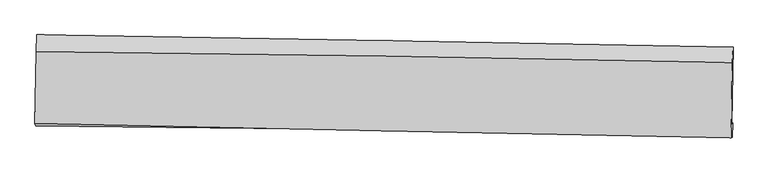
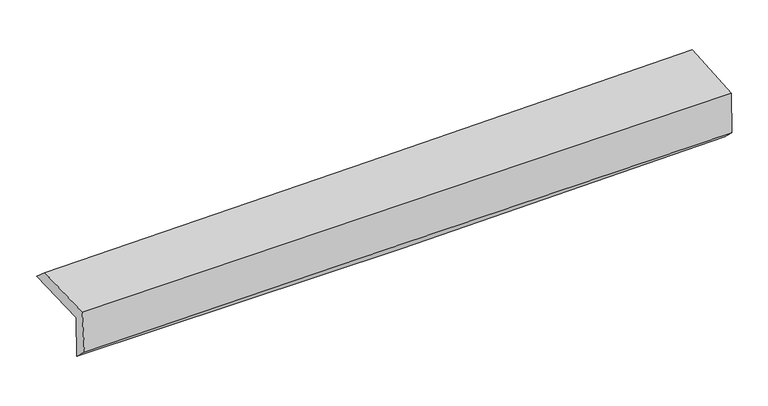
"""IFC4 building model written with IfcOpenShell, lengths in millimetres: proxy geometry."""

from ifc_helpers import new_model, si_unit, frame, origin, place, context, project, spatial, source, transform, mapped, element, save
from ifc_brep_helpers import plane_surface, spline_curve, spline_surface, advanced_brep


def generic_models_a726929d(model_context):
    return source(origin(), model_context, "Body", "AdvancedBrep", [
        advanced_brep(
        [(-3030.6403116, -1757.244545, 1964.4442662), (-3018.3939804, -1092.9162327, 1972.1412582), (3019.1650498, -1201.1432065, 2105.6146012), (3006.9730574, -1866.5228366, 2094.6922311), (-3021.6380855, -1751.0513225, 1577.1108289), (3015.9006747, -1860.3809424, 1710.5689391), (-3026.8978098, -1885.3490262, 1696.9040716), (3010.8212327, -1984.9868248, 1830.4037842), (-3035.3733319, -1863.4058783, 2084.2133271), (3001.6381054, -1989.4132768, 2227.0622444), (-3023.9170199, -1237.0525696, 2095.3923986), (3013.1831432, -1332.7865569, 2259.0492146)],
        [
            (0, 1),
            (1, 2, spline_curve(3, [(-3018.3939804, -1092.9162327, 1972.1412582), (-2011.924923349, -1108.54326529, 1987.135066794), (-1005.559358525, -1125.375718975, 2005.754782581), (1006.960317293, -1161.451387504, 2050.245929408), (2013.114429123, -1180.694591838, 2076.117327876), (3019.1650498, -1201.1432065, 2105.6146012)], [4, 2, 4], [0.0, 9.908233847613204, 19.816423684661427])),
            (2, 3),
            (3, 0, spline_curve(3, [(3006.9730574, -1866.5228366, 2094.6922311), (2000.765093678, -1852.610109493, 2066.725829582), (994.527781939, -1836.547246644, 2041.888648892), (-1018.010007411, -1800.121168257, 1998.472632885), (-2024.310485381, -1779.757934206, 1979.893825148), (-3030.6403116, -1757.244545, 1964.4442662)], [4, 2, 4], [0.0, 9.908189837048223, 19.816423684661427])),
            (4, 0),
            (3, 5),
            (5, 4, spline_curve(3, [(3015.9006747, -1860.3809424, 1710.5689391), (2009.884897207, -1846.335997999, 1674.333465416), (1003.749895807, -1830.202748737, 1645.094228773), (-1008.763023025, -1793.759560726, 1600.608129627), (-2015.140942111, -1773.449603157, 1585.361329787), (-3021.6380855, -1751.0513225, 1577.1108289)], [4, 2, 4], [0.0, 9.908268890999395, 19.816581792914917])),
            (6, 4),
            (5, 7),
            (7, 6, spline_curve(3, [(3010.8212327, -1984.9868248, 1830.4037842), (2004.786624179, -1959.377701548, 1804.414805818), (998.627184316, -1938.269998492, 1780.29536105), (-1013.945829067, -1905.057358946, 1735.795439919), (-2020.359402839, -1892.952462541, 1715.414980566), (-3026.8978098, -1885.3490262, 1696.9040716)], [4, 2, 4], [0.0, 9.90823033893433, 19.81650468861354])),
            (8, 6),
            (7, 9),
            (9, 8, spline_curve(3, [(3001.6381054, -1989.4132768, 2227.0622444), (1995.481056879, -1968.265019175, 2202.774117466), (989.319363903, -1947.190296845, 2178.726003422), (-1023.01778213, -1905.187830271, 2131.109695426), (-2029.193234346, -1884.260086265, 2107.541503718), (-3035.3733319, -1863.4058783, 2084.2133271)], [4, 2, 4], [0.0, 9.908151114468271, 19.816346239329526])),
            (10, 8),
            (9, 11),
            (11, 10, spline_curve(3, [(3013.1831432, -1332.7865569, 2259.0492146), (2007.237285113, -1312.827065712, 2224.586963716), (1001.173793517, -1294.869500882, 2193.717792247), (-1011.19292641, -1262.958154246, 2139.165488597), (-2017.496155693, -1249.00438976, 2115.482387741), (-3023.9170199, -1237.0525696, 2095.3923986)], [4, 2, 4], [0.0, 9.90817193224702, 19.81638787497949])),
            (1, 10),
            (11, 2),
        ],
        [
            spline_surface(3, 3, [[(-3030.6403116, -1757.244545, 1964.4442662), (-2024.310485324, -1779.757934134, 1979.893825216), (-1018.01000743, -1800.121168394, 1998.472632839), (994.527781957, -1836.547246507, 2041.888648938), (2000.765093767, -1852.610109419, 2066.725829615), (3006.9730574, -1866.5228366, 2094.6922311)], [(-3026.558201215, -1535.801774228, 1967.009930223), (-2020.181964696, -1556.019711206, 1982.307572486), (-1013.859791148, -1575.206018537, 2000.900016134), (998.67196038, -1611.515293504, 2044.674409041), (2004.881538897, -1628.638270262, 2069.85632903), (3011.037054867, -1644.729626579, 2098.333021134)], [(-3022.476090785, -1314.359003472, 1969.575594177), (-2016.053444023, -1332.281488296, 1984.721319687), (-1009.709574803, -1350.290868759, 2003.327399438), (1002.816138866, -1386.483340579, 2047.460169152), (2008.997984027, -1404.666431069, 2072.986828443), (3015.101052333, -1422.936416521, 2101.973811166)], [(-3018.3939804, -1092.9162327, 1972.1412582), (-2011.924923394, -1108.543265368, 1987.135066958), (-1005.559358521, -1125.375718903, 2005.754782734), (1006.960317289, -1161.451387576, 2050.245929255), (2013.114429157, -1180.694591912, 2076.117327858), (3019.1650498, -1201.1432065, 2105.6146012)]], [4, 4], [4, 2, 4], [0.0, 2.2148313968090925], [0.0, 9.908233847613204, 19.816423684661427]),
            spline_surface(3, 3, [[(-3021.6380855, -1751.0513225, 1577.1108289), (-2015.140942019, -1773.449603141, 1585.36132986), (-1008.763023116, -1793.759560694, 1600.608129767), (1003.749895898, -1830.202748769, 1645.094228633), (2009.884897048, -1846.335997862, 1674.333465498), (3015.9006747, -1860.3809424, 1710.5689391)], [(-3024.638827531, -1753.115729993, 1706.22197465), (-2018.197456451, -1775.552380132, 1716.872161629), (-1011.845351213, -1795.8800966, 1733.229630783), (1000.675857925, -1832.317581355, 1777.359035394), (2006.844962599, -1848.427368394, 1805.130920206), (3012.924802244, -1862.42824048, 1838.610036436)], [(-3027.639569569, -1755.180137507, 1835.33312045), (-2021.253970892, -1777.655157143, 1848.382993447), (-1014.927679332, -1798.000632488, 1865.851131823), (997.601819931, -1834.432413921, 1909.623842178), (2003.805028217, -1850.518738887, 1935.928374907), (3009.948929856, -1864.47553852, 1966.651133764)], [(-3030.6403116, -1757.244545, 1964.4442662), (-2024.310485324, -1779.757934134, 1979.893825216), (-1018.01000743, -1800.121168394, 1998.472632839), (994.527781957, -1836.547246507, 2041.888648938), (2000.765093767, -1852.610109419, 2066.725829615), (3006.9730574, -1866.5228366, 2094.6922311)]], [4, 4], [4, 2, 4], [0.0, 1.3040929654560793], [0.0, 9.908312901915522, 19.816581792914917]),
            spline_surface(3, 3, [[(-3026.8978098, -1885.3490262, 1696.9040716), (-2020.359402997, -1892.952462504, 1715.414980697), (-1013.945828908, -1905.05735895, 1735.795440083), (998.627184157, -1938.269998487, 1780.295360887), (2004.786624219, -1959.377701546, 1804.414805709), (3010.8212327, -1984.9868248, 1830.4037842)], [(-3025.144568342, -1840.583124974, 1656.972990722), (-2018.61991598, -1853.118176057, 1672.063763773), (-1012.21822696, -1867.958092869, 1690.733003305), (1000.334754755, -1902.247581918, 1735.228316797), (2006.486048519, -1921.697133638, 1761.054358979), (3012.514380056, -1943.451530653, 1790.45883584)], [(-3023.391326958, -1795.817223726, 1617.041909778), (-2016.880429036, -1813.283889588, 1628.712546784), (-1010.490625064, -1830.858826776, 1645.670566544), (1002.042325301, -1866.225165338, 1690.161272723), (2008.185472749, -1884.01656577, 1717.693912228), (3014.207527344, -1901.916236547, 1750.51388746)], [(-3021.6380855, -1751.0513225, 1577.1108289), (-2015.140942019, -1773.449603141, 1585.36132986), (-1008.763023116, -1793.759560694, 1600.608129767), (1003.749895898, -1830.202748769, 1645.094228633), (2009.884897048, -1846.335997862, 1674.333465498), (3015.9006747, -1860.3809424, 1710.5689391)]], [4, 4], [4, 2, 4], [0.0, 0.5714153807652054], [0.0, 9.908274349679212, 19.81650468861354]),
            spline_surface(3, 3, [[(-3035.3733319, -1863.4058783, 2084.2133271), (-2029.193234487, -1884.260086168, 2107.541503766), (-1023.017781973, -1905.187830134, 2131.109695472), (989.319363746, -1947.190296982, 2178.726003376), (1995.481057011, -1968.265019126, 2202.774117427), (3001.6381054, -1989.4132768, 2227.0622444)], [(-3032.548157896, -1870.720260938, 1955.11024192), (-2026.24862402, -1887.157544952, 1976.83266273), (-1019.993797618, -1905.144339754, 1999.338277006), (992.42197055, -1944.216864165, 2045.91578921), (1998.582912732, -1965.302579923, 2069.987680165), (3004.699147818, -1987.937792791, 2094.842757644)], [(-3029.722983804, -1878.034643562, 1826.00715678), (-2023.304013464, -1890.055003721, 1846.123821733), (-1016.969813263, -1905.10084933, 1867.566858549), (995.524577354, -1941.243431304, 1913.105575053), (2001.684768499, -1962.340140749, 1937.201242971), (3007.760190282, -1986.462308809, 1962.623270956)], [(-3026.8978098, -1885.3490262, 1696.9040716), (-2020.359402997, -1892.952462504, 1715.414980697), (-1013.945828908, -1905.05735895, 1735.795440083), (998.627184157, -1938.269998487, 1780.295360887), (2004.786624219, -1959.377701546, 1804.414805709), (3010.8212327, -1984.9868248, 1830.4037842)]], [4, 4], [4, 2, 4], [0.0, 1.3025085952993223], [0.0, 9.908195124861255, 19.816346239329526]),
            spline_surface(3, 3, [[(-3023.9170199, -1237.0525696, 2095.3923986), (-2017.496155849, -1249.004389638, 2115.482387631), (-1011.192926443, -1262.958154106, 2139.165488475), (1001.173793551, -1294.869501021, 2193.717792369), (2007.237285167, -1312.827065591, 2224.586963576), (3013.1831432, -1332.7865569, 2259.0492146)], [(-3027.735790556, -1445.837005832, 2091.666041424), (-2021.395182051, -1460.75628848, 2112.835426333), (-1015.134544947, -1477.034712782, 2136.480224167), (997.222316956, -1512.309766342, 2188.720529398), (2003.318542447, -1531.306383433, 2217.316014882), (3009.334797266, -1551.662130197, 2248.386891222)], [(-3031.554561244, -1654.621442068, 2087.939684276), (-2025.294208286, -1672.508187326, 2110.188465064), (-1019.07616347, -1691.111271457, 2133.79495978), (993.270840341, -1729.750031662, 2183.723266347), (1999.399799731, -1749.785701285, 2210.045066122), (3005.486451334, -1770.537703503, 2237.724567778)], [(-3035.3733319, -1863.4058783, 2084.2133271), (-2029.193234487, -1884.260086168, 2107.541503766), (-1023.017781973, -1905.187830134, 2131.109695472), (989.319363746, -1947.190296982, 2178.726003376), (1995.481057011, -1968.265019126, 2202.774117427), (3001.6381054, -1989.4132768, 2227.0622444)]], [4, 4], [4, 2, 4], [0.0, 2.1242980433119913], [0.0, 9.90821594273247, 19.81638787497949]),
            spline_surface(3, 3, [[(-3018.3939804, -1092.9162327, 1972.1412582), (-2011.924923394, -1108.543265368, 1987.135066958), (-1005.559358521, -1125.375718903, 2005.754782734), (1006.960317289, -1161.451387576, 2050.245929255), (2013.114429157, -1180.694591912, 2076.117327858), (3019.1650498, -1201.1432065, 2105.6146012)], [(-3020.23499356, -1140.961678335, 2013.22497166), (-2013.782000873, -1155.363640126, 2029.917507176), (-1007.437214505, -1171.236530638, 2050.225017973), (1005.031476033, -1205.924092059, 2098.069883619), (2011.155381176, -1224.738749806, 2125.607206422), (3017.17108095, -1245.024323301, 2156.759472324)], [(-3022.07600674, -1189.007123965, 2054.30868514), (-2015.63907837, -1202.18401488, 2072.699947413), (-1009.31507046, -1217.097342371, 2094.695253235), (1003.102634806, -1250.396796539, 2145.893838005), (2009.196333147, -1268.782907697, 2175.097085013), (3015.17711205, -1288.905440099, 2207.904343476)], [(-3023.9170199, -1237.0525696, 2095.3923986), (-2017.496155849, -1249.004389638, 2115.482387631), (-1011.192926443, -1262.958154106, 2139.165488475), (1001.173793551, -1294.869501021, 2193.717792369), (2007.237285167, -1312.827065591, 2224.586963576), (3013.1831432, -1332.7865569, 2259.0492146)]], [4, 4], [4, 2, 4], [0.0, 0.6358307881311741], [0.0, 9.908278312088852, 19.81651261341522]),
            plane_surface(frame((3011.2802105, -1705.872274, 2037.8985024), z_axis=(0.9995622630647761, -0.01869178462654867, 0.022932497559103152), x_axis=(0.023143577915332805, 0.011155670021328194, -0.999669908433605))),
            plane_surface(frame((-3026.1434232, -1597.8365957, 1898.3676918), z_axis=(-0.9995622630647648, 0.018691784626905995, -0.022932497559304193), x_axis=(-0.018429787250903253, -0.9997630560356973, -0.011583381546412757))),
        ],
        [
            (0, [[1, 2, 3, 4]]),
            (1, [[5, -4, 6, 7]]),
            (2, [[8, -7, 9, 10]]),
            (3, [[11, -10, 12, 13]]),
            (4, [[14, -13, 15, 16]]),
            (5, [[17, -16, 18, -2]]),
            (6, [[-12, -9, -6, -3, -18, -15]]),
            (7, [[-1, -5, -8, -11, -14, -17]]),
        ],
    ),
    ])


if __name__ == "__main__":
    model = new_model("IFC4")
    model_context = context("Model", 3, world=origin())
    ifc_project = project(units=[si_unit("LENGTHUNIT", "METRE", prefix="MILLI")], contexts=[model_context])
    site = spatial("IfcSite", under=ifc_project)
    building = spatial("IfcBuilding", under=site)
    placement = place(None, origin())
    generic_models_shape = generic_models_a726929d(model_context)
    element("IfcBuildingElementProxy", 1, Name="Generic Models", at=placement, inside=building, context=model_context, shape_type="MappedRepresentation", body=[
        mapped(generic_models_shape, transform((0.0, 0.0, 0.0), x_axis=(1.0, 0.0, 0.0), y_axis=(0.0, 1.0, 0.0), z_axis=(0.0, 0.0, 1.0))),
    ])
    save(model, "model.ifc")
